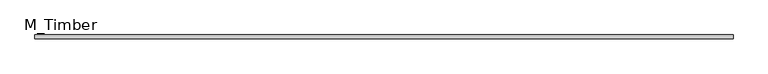
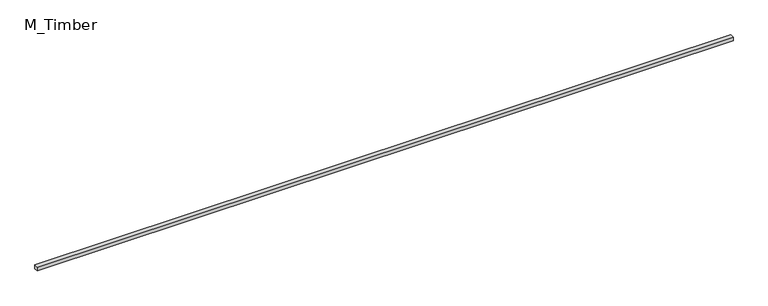
"""IFC4 building model written with IfcOpenShell, lengths in millimetres: beam geometry, M_Timber."""

from ifc_helpers import new_model, si_unit, frame, origin, place, context, project, spatial, polyline, outline, extrude, source, transform, mapped, element, save


def m_timber_08552c54(model_context):
    return source(origin(), model_context, "Body", "SweptSolid", [
        extrude(outline(polyline([(3503.2532098, 20.0), (3503.2532098, -20.0), (-3503.2532098, -20.0), (-3503.2532098, 20.0), (3503.2532098, 20.0)])), frame((0.0, 0.0, -20.0), z_axis=(0.0, 0.0, 1.0), x_axis=(1.0, 0.0, 0.0)), (0.0, 0.0, 1.0), 40.0),
    ])


if __name__ == "__main__":
    model = new_model("IFC4")
    model_context = context("Model", 3, world=origin())
    ifc_project = project(units=[si_unit("LENGTHUNIT", "METRE", prefix="MILLI")], contexts=[model_context])
    site = spatial("IfcSite", under=ifc_project)
    building = spatial("IfcBuilding", under=site)
    placement = place(None, origin())
    m_timber_shape = m_timber_08552c54(model_context)
    element("IfcBeam", 1, ObjectType="M_Timber", at=placement, inside=building, context=model_context, shape_type="MappedRepresentation", body=[
        mapped(m_timber_shape, transform((0.0, 0.0, 0.0), x_axis=(1.0, 0.0, 0.0), y_axis=(0.0, 1.0, 0.0), z_axis=(0.0, 0.0, 1.0))),
    ])
    save(model, "model.ifc")
